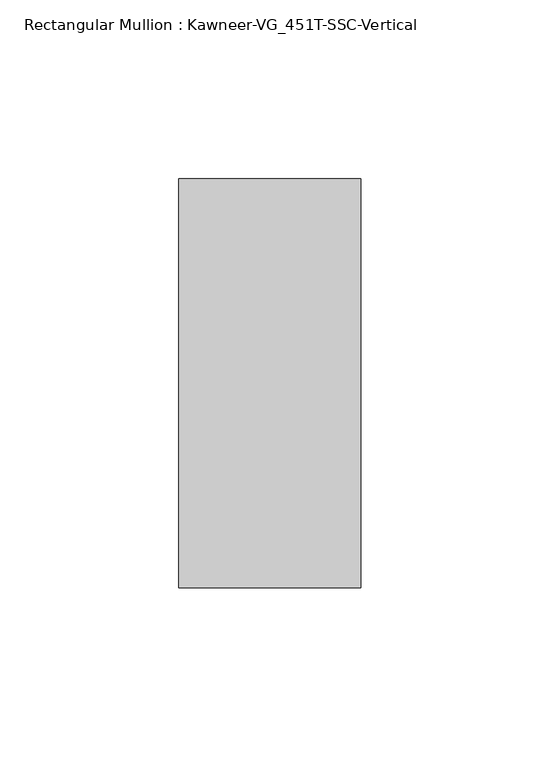
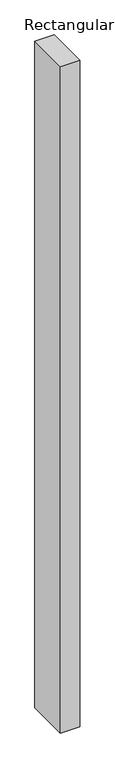
"""IFC4 building model written with IfcOpenShell, lengths in millimetres: member geometry, Rectangular Mullion : Kawneer-VG_451T-SSC-Vertical."""

from ifc_helpers import new_model, si_unit, frame, origin, place, context, project, spatial, polyline, outline, extrude, source, transform, mapped, element, save


def rectangular_mullion_kawneer_vg_451t_ssc_vertical_585972e0(model_context):
    return source(origin(), model_context, "Body", "SweptSolid", [
        extrude(outline(polyline([(25.4, 57.15), (25.4, -57.15), (-25.4, -57.15), (-25.4, 57.15), (25.4, 57.15)])), frame((0.0, 0.0, -1828.8), z_axis=(0.0, 0.0, 1.0), x_axis=(1.0, 0.0, 0.0)), (0.0, 0.0, 1.0), 1828.8),
    ])


if __name__ == "__main__":
    model = new_model("IFC4")
    model_context = context("Model", 3, world=origin())
    ifc_project = project(units=[si_unit("LENGTHUNIT", "METRE", prefix="MILLI")], contexts=[model_context])
    site = spatial("IfcSite", under=ifc_project)
    building = spatial("IfcBuilding", under=site)
    placement = place(None, origin())
    rectangular_mullion_kawneer_vg_451t_ssc_vertical_shape = rectangular_mullion_kawneer_vg_451t_ssc_vertical_585972e0(model_context)
    element("IfcMember", 1, ObjectType="Rectangular Mullion : Kawneer-VG_451T-SSC-Vertical", at=placement, inside=building, context=model_context, shape_type="MappedRepresentation", body=[
        mapped(rectangular_mullion_kawneer_vg_451t_ssc_vertical_shape, transform((0.0, 0.0, 0.0), x_axis=(1.0, 0.0, 0.0), y_axis=(0.0, 1.0, 0.0), z_axis=(0.0, 0.0, 1.0))),
    ])
    save(model, "model.ifc")
